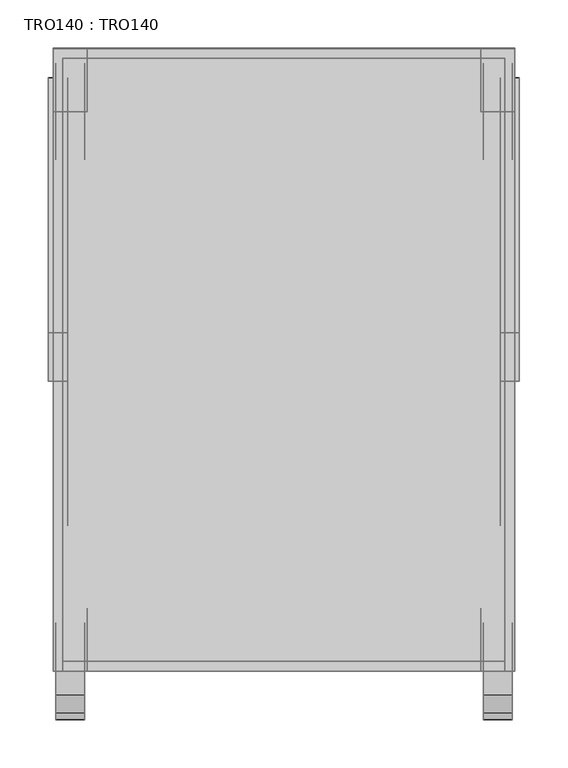
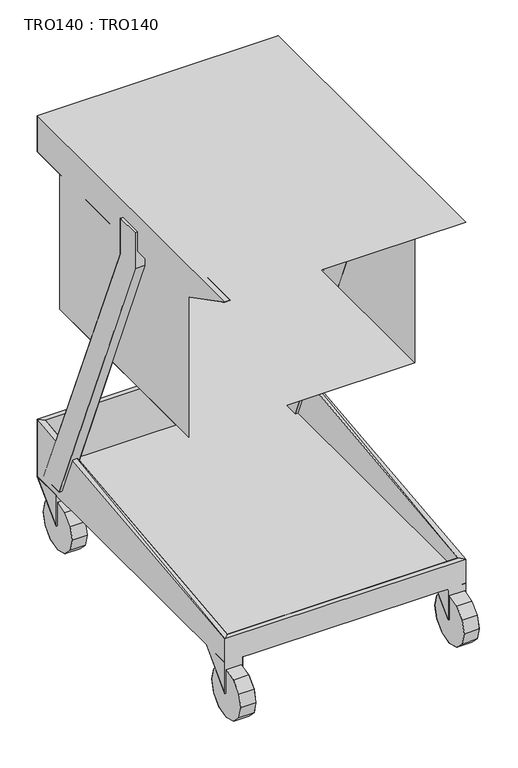
"""IFC4 building model written with IfcOpenShell, lengths in millimetres: proxy geometry, TRO140 : TRO140."""

import ifcopenshell
import ifcopenshell.guid

model = None  # the IFC model being written
_history = None  # IfcOwnerHistory: only IFC2X3 demands one
_inside = {}  # id of a spatial element -> (the spatial element, [elements in it])
_under = {}  # id of a project, library or spatial element -> (it, [spatial elements below it])
_declared = {}  # id of a project -> (the project, [libraries it declares])
_typed = {}  # id of a type object -> (the type object, [elements of that type])
_made_of = {}  # id of a material, layer set ... -> (it, [elements and type objects made of it])


def new_model(schema):
    """Start an empty IFC model of exactly this schema.

    Asked for "IFC4X3", IfcOpenShell would pick the latest addendum, in which some entities
    have other attributes; the version numbers below select the first issue.
    IFC2X3 requires an IfcOwnerHistory on every rooted entity: one is made here for all.
    """
    global model, _history
    if schema == "IFC4X3":
        model = ifcopenshell.file(schema_version=(4, 3, 0, 0))
    else:
        model = ifcopenshell.file(schema=schema)
    _inside.clear()
    _under.clear()
    _declared.clear()
    _typed.clear()
    _made_of.clear()
    _history = None
    if model.schema == "IFC2X3":
        org = make("IfcOrganization", Name="unknown")
        user = make(
            "IfcPersonAndOrganization",
            ThePerson=make("IfcPerson", FamilyName="unknown"),
            TheOrganization=org,
        )
        app = make(
            "IfcApplication",
            ApplicationDeveloper=org,
            Version="unknown",
            ApplicationFullName="unknown",
            ApplicationIdentifier="unknown",
        )
        _history = make(
            "IfcOwnerHistory",
            OwningUser=user,
            OwningApplication=app,
            ChangeAction="ADDED",
            CreationDate=0,
        )
    return model


def make(cls, **values):
    """One entity of the class cls with the attributes given. An attribute that is None is left unset."""
    return model.create_entity(
        cls, **{name: value for name, value in values.items() if value is not None}
    )


def rooted(cls, **values):
    """An entity with a GlobalId (a new one), such as an element, a storey or a relation."""
    return make(cls, GlobalId=ifcopenshell.guid.new(), OwnerHistory=_history, **values)


def si_unit(unit_type, name, prefix=None):
    """IfcSIUnit, for example si_unit("LENGTHUNIT", "METRE", prefix="MILLI")."""
    return make("IfcSIUnit", UnitType=unit_type, Prefix=prefix, Name=name)


def assignment(units):
    """IfcUnitAssignment: the units of a project."""
    return None if units is None else make("IfcUnitAssignment", Units=units)


def point(xyz):
    """IfcCartesianPoint."""
    return None if xyz is None else make("IfcCartesianPoint", Coordinates=xyz)


def direction(xyz):
    """IfcDirection."""
    return None if xyz is None else make("IfcDirection", DirectionRatios=xyz)


def frame(location, z_axis=None, x_axis=None):
    """IfcAxis2Placement3D, a coordinate frame: its origin and axes. An axis left out is left unset."""
    return make(
        "IfcAxis2Placement3D",
        Location=point(location),
        Axis=direction(z_axis),
        RefDirection=direction(x_axis),
    )


def origin():
    """The frame at (0, 0, 0) with its axes left unset."""
    return frame((0.0, 0.0, 0.0))


def place(relative_to, where):
    """IfcLocalPlacement: puts the frame where relative to a parent placement (None: the world)."""
    return make(
        "IfcLocalPlacement", PlacementRelTo=relative_to, RelativePlacement=where
    )


def context(
    kind, dimensions, precision=None, world=None, true_north=None, identifier=None
):
    """IfcGeometricRepresentationContext, for example the 3D "Model" context."""
    return make(
        "IfcGeometricRepresentationContext",
        ContextIdentifier=identifier,
        ContextType=kind,
        CoordinateSpaceDimension=dimensions,
        Precision=precision,
        WorldCoordinateSystem=world,
        TrueNorth=true_north,
    )


def project(units=None, contexts=None):
    """IfcProject with its units and contexts."""
    return rooted(
        "IfcProject",
        Name="project",
        RepresentationContexts=contexts,
        UnitsInContext=assignment(units),
    )


def spatial(cls, under=None, at=None, **own):
    """A site, building, storey or space (cls), placed at a placement, below another one or the project."""
    s = rooted(cls, ObjectPlacement=at, **own)
    if under is not None:
        _under.setdefault(under.id(), (under, []))[1].append(s)
    return s


def point_list(points):
    """IfcCartesianPointList2D or 3D."""
    cls = (
        "IfcCartesianPointList2D" if len(points[0]) == 2 else "IfcCartesianPointList3D"
    )
    return make(cls, CoordList=points)


def triangles(points, corners, closed=None, point_numbers=None):
    """IfcTriangulatedFaceSet: each triangle names its three corners, points numbered from 1."""
    return make(
        "IfcTriangulatedFaceSet",
        Coordinates=point_list(points),
        Closed=closed,
        CoordIndex=corners,
        PnIndex=point_numbers,
    )


def shape(context_of_items, identifier, shape_type, items):
    """IfcShapeRepresentation: the items that make up one representation, for example the "Body"."""
    return make(
        "IfcShapeRepresentation",
        ContextOfItems=context_of_items,
        RepresentationIdentifier=identifier,
        RepresentationType=shape_type,
        Items=items,
    )


def source(mapping_origin, context_of_items, identifier, shape_type, items):
    """IfcRepresentationMap: a shape defined once, which mapped items show again and again."""
    return make(
        "IfcRepresentationMap",
        MappingOrigin=mapping_origin,
        MappedRepresentation=shape(context_of_items, identifier, shape_type, items),
    )


def transform(
    local_origin,
    x_axis=None,
    y_axis=None,
    z_axis=None,
    scale=None,
    scale2=None,
    scale3=None,
    uniform=True,
):
    """IfcCartesianTransformationOperator3D, or its non-uniform kind. x_axis, y_axis, z_axis: its Axis1, 2, 3."""
    if uniform:
        return make(
            "IfcCartesianTransformationOperator3D",
            Axis1=direction(x_axis),
            Axis2=direction(y_axis),
            LocalOrigin=point(local_origin),
            Scale=scale,
            Axis3=direction(z_axis),
        )
    return make(
        "IfcCartesianTransformationOperator3DnonUniform",
        Axis1=direction(x_axis),
        Axis2=direction(y_axis),
        LocalOrigin=point(local_origin),
        Scale=scale,
        Axis3=direction(z_axis),
        Scale2=scale2,
        Scale3=scale3,
    )


def mapped(mapping_source, mapping_target):
    """IfcMappedItem: shows the shape of a source again, moved by a transform."""
    return make(
        "IfcMappedItem", MappingSource=mapping_source, MappingTarget=mapping_target
    )


def made_of(thing, what):
    """Note that an element or type object is made of a material, layer set ...; save() writes the relation."""
    if what is not None:
        _made_of.setdefault(what.id(), (what, []))[1].append(thing)
    return thing


def element(
    cls,
    number,
    at=None,
    inside=None,
    cuts=None,
    type_object=None,
    material=None,
    context=None,
    identifier="Body",
    shape_type=None,
    held_by="IfcProductDefinitionShape",
    body=None,
    shapes=None,
    **own,
):
    """One element of the class cls, such as IfcWall. Its Tag is "e" and its number.

    at: its placement. inside: the storey or other place that contains it. cuts: it is an
    opening in that element (IfcRelVoidsElement). A single representation is given by context,
    identifier, shape_type and body (its items); several are given by shapes. held_by: the class
    of the entity that holds the representations. save() writes the other relations.
    """
    e = rooted(cls, Tag="e%d" % number, ObjectPlacement=at, **own)
    if body is not None:
        shapes = [shape(context, identifier, shape_type, body)]
    if shapes is not None:
        e.Representation = make(held_by, Representations=shapes)
    if inside is not None:
        _inside.setdefault(inside.id(), (inside, []))[1].append(e)
    if cuts is not None:
        rooted(
            "IfcRelVoidsElement", RelatingBuildingElement=cuts, RelatedOpeningElement=e
        )
    if type_object is not None:
        _typed.setdefault(type_object.id(), (type_object, []))[1].append(e)
    return made_of(e, material)


def aggregate(whole, parts):
    """IfcRelAggregates: a whole, such as a stair, and the parts it consists of."""
    return rooted("IfcRelAggregates", RelatingObject=whole, RelatedObjects=parts)


def save(model, path):
    """Write the relations noted so far, then the file.

    IfcRelAggregates (storeys below a building ...), IfcRelContainedInSpatialStructure (elements
    in a storey), IfcRelDefinesByType, IfcRelAssociatesMaterial and IfcRelDeclares: one each for
    every whole, place, type object, material and project.
    """
    for whole, parts in _under.values():
        aggregate(whole, parts)
    for where, things in _inside.values():
        rooted(
            "IfcRelContainedInSpatialStructure",
            RelatedElements=things,
            RelatingStructure=where,
        )
    for kind, things in _typed.values():
        rooted("IfcRelDefinesByType", RelatedObjects=things, RelatingType=kind)
    for what, things in _made_of.values():
        rooted("IfcRelAssociatesMaterial", RelatedObjects=things, RelatingMaterial=what)
    for by, libraries in _declared.values():
        rooted("IfcRelDeclares", RelatingContext=by, RelatedDefinitions=libraries)
    model.write(path)


def tro140_tro140_b3449610(model_context):
    return source(origin(), model_context, "Body", "Tessellation", [
        triangles([(0.0, -642.9999962, 870.4999907), (0.0, 0.0, 870.4999907), (476.9999906, 0.0, 870.4999907), (476.9999906, -642.9999962, 870.4999907), (-5.0000003, -84.2600004, 134.9999992), (-5.0000003, -29.9999993, 134.9999992), (-5.0000003, -293.4399921, 759.9999767), (-5.0000003, -343.4400106, 759.9999767), (32.4999989, -617.999996, 6.6999998), (32.4999989, -599.6999866, 25.0000002), (2.5000001, -599.6999866, 25.0000002), (2.5000001, -617.999996, 6.6999998), (2.5000001, -642.9999962, 0.0), (32.4999989, -642.9999962, 0.0), (2.5000001, -667.9999964, 6.6999998), (32.4999989, -667.9999964, 6.6999998), (2.5000001, -686.2999695, 25.0000002), (32.4999989, -686.2999695, 25.0000002), (2.5000001, -692.9999966, 50.0000004), (32.4999989, -692.9999966, 50.0000004), (2.5000001, -686.2999695, 75.0000006), (32.4999989, -686.2999695, 75.0000006), (2.5000001, -667.9999964, 93.3000009), (32.4999989, -667.9999964, 93.3000009), (32.4999989, -592.9999958, 50.0000004), (2.5000001, -592.9999958, 50.0000004), (2.5000001, -642.9999962, 100.0000008), (32.4999989, -642.9999962, 100.0000008), (32.4999989, -608.8500094, 84.1499962), (2.5000001, -608.8500094, 84.1499962), (2.5000001, -599.6999866, 75.0000006), (32.4999989, -599.6999866, 75.0000006), (0.0, -642.9999962, 115.0000027), (35.0000007, -642.9999962, 115.0000027), (35.0000007, -578.000003, 115.0000027), (0.0, -578.000003, 115.0000027), (2.5000001, -642.9999962, 50.0000004), (0.0, -642.9999962, 50.0000004), (0.0, -613.0000105, 115.0000027), (32.4999989, -642.9999962, 50.0000004), (35.0000007, -642.9999962, 50.0000004), (35.0000007, -613.0000105, 115.0000027), (32.4999989, -40.0000021, 6.6999998), (32.4999989, -21.6999995, 25.0000002), (2.5000001, -21.6999995, 25.0000002), (2.5000001, -40.0000021, 6.6999998), (2.5000001, -64.9999978, 0.0), (32.4999989, -64.9999978, 0.0), (2.5000001, -90.0000025, 6.6999998), (32.4999989, -90.0000025, 6.6999998), (2.5000001, -108.3000029, 25.0000002), (32.4999989, -108.3000029, 25.0000002), (2.5000001, -115.0000027, 50.0000004), (32.4999989, -115.0000027, 50.0000004), (2.5000001, -108.3000029, 75.0000006), (32.4999989, -108.3000029, 75.0000006), (2.5000001, -90.0000025, 93.3000009), (32.4999989, -90.0000025, 93.3000009), (32.4999989, -14.9999997, 50.0000004), (2.5000001, -14.9999997, 50.0000004), (2.5000001, -64.9999978, 100.0000008), (32.4999989, -64.9999978, 100.0000008), (32.4999989, -30.8499997, 84.1499962), (2.5000001, -30.8499997, 84.1499962), (2.5000001, -21.6999995, 75.0000006), (32.4999989, -21.6999995, 75.0000006), (0.0, -64.9999978, 115.0000027), (35.0000007, -64.9999978, 115.0000027), (35.0000007, 0.0, 115.0000027), (0.0, 0.0, 115.0000027), (2.5000001, -64.9999978, 50.0000004), (0.0, -64.9999978, 50.0000004), (0.0, -35.0000007, 115.0000027), (32.4999989, -64.9999978, 50.0000004), (35.0000007, -64.9999978, 50.0000004), (35.0000007, -35.0000007, 115.0000027), (482.0000124, -84.2600004, 134.9999992), (482.0000124, -29.9999993, 134.9999992), (482.0000124, -293.4399921, 759.9999767), (482.0000124, -343.4400106, 759.9999767), (444.5000121, -617.999996, 6.6999998), (444.5000121, -599.6999866, 25.0000002), (474.4999978, -617.999996, 6.6999998), (474.4999978, -599.6999866, 25.0000002), (474.4999978, -642.9999962, 0.0), (444.5000121, -642.9999962, 0.0), (474.4999978, -667.9999964, 6.6999998), (444.5000121, -667.9999964, 6.6999998), (474.4999978, -686.2999695, 25.0000002), (444.5000121, -686.2999695, 25.0000002), (474.4999978, -692.9999966, 50.0000004), (444.5000121, -692.9999966, 50.0000004), (474.4999978, -686.2999695, 75.0000006), (444.5000121, -686.2999695, 75.0000006), (444.5000121, -667.9999964, 93.3000009), (474.4999978, -667.9999964, 93.3000009), (444.5000121, -592.9999958, 50.0000004), (474.4999978, -592.9999958, 50.0000004), (474.4999978, -642.9999962, 100.0000008), (444.5000121, -642.9999962, 100.0000008), (444.5000121, -608.8500094, 84.1499962), (474.4999978, -608.8500094, 84.1499962), (444.5000121, -599.6999866, 75.0000006), (474.4999978, -599.6999866, 75.0000006), (476.9999906, -642.9999962, 115.0000027), (441.999983, -642.9999962, 115.0000027), (441.999983, -578.000003, 115.0000027), (476.9999906, -578.000003, 115.0000027), (444.5000121, -642.9999962, 50.0000004), (441.999983, -642.9999962, 50.0000004), (441.999983, -613.0000105, 115.0000027), (474.4999978, -642.9999962, 50.0000004), (476.9999906, -642.9999962, 50.0000004), (476.9999906, -613.0000105, 115.0000027), (444.5000121, -40.0000021, 6.6999998), (444.5000121, -21.6999995, 25.0000002), (474.4999978, -21.6999995, 25.0000002), (474.4999978, -40.0000021, 6.6999998), (474.4999978, -64.9999978, 0.0), (444.5000121, -64.9999978, 0.0), (474.4999978, -90.0000025, 6.6999998), (444.5000121, -90.0000025, 6.6999998), (474.4999978, -108.3000029, 25.0000002), (444.5000121, -108.3000029, 25.0000002), (474.4999978, -115.0000027, 50.0000004), (444.5000121, -115.0000027, 50.0000004), (474.4999978, -108.3000029, 75.0000006), (444.5000121, -108.3000029, 75.0000006), (474.4999978, -90.0000025, 93.3000009), (444.5000121, -90.0000025, 93.3000009), (444.5000121, -14.9999997, 50.0000004), (474.4999978, -14.9999997, 50.0000004), (474.4999978, -64.9999978, 100.0000008), (444.5000121, -64.9999978, 100.0000008), (444.5000121, -30.8499997, 84.1499962), (474.4999978, -30.8499997, 84.1499962), (474.4999978, -21.6999995, 75.0000006), (444.5000121, -21.6999995, 75.0000006), (476.9999906, -64.9999978, 115.0000027), (441.999983, -64.9999978, 115.0000027), (441.999983, 0.0, 115.0000027), (476.9999906, 0.0, 115.0000027), (444.5000121, -64.9999978, 50.0000004), (441.999983, -64.9999978, 50.0000004), (441.999983, -35.0000007, 115.0000027), (474.4999978, -64.9999978, 50.0000004), (476.9999906, -64.9999978, 50.0000004), (476.9999906, -35.0000007, 115.0000027), (14.9999997, -492.999995, 489.9999965), (14.9999997, -50.0000004, 489.9999965), (461.9999977, -50.0000004, 489.9999965), (461.9999977, -492.999995, 489.9999965), (10.0000005, -10.0000005, 134.9999992), (466.9999832, -10.0000005, 134.9999992), (466.9999832, -10.0000005, 235.0000091), (10.0000005, -10.0000005, 235.0000091), (10.0000005, -633.0000252, 134.9999992), (466.9999832, -633.0000252, 134.9999992), (466.9999832, -633.0000252, 164.999994), (10.0000005, -633.0000252, 164.999994), (0.0, 0.0, 235.0000091), (0.0, -642.9999962, 164.999994), (476.9999906, -642.9999962, 164.999994), (476.9999906, 0.0, 235.0000091), (14.9999997, -84.2600004, 134.9999992), (14.9999997, -29.9999993, 134.9999992), (14.9999997, -293.4399921, 759.9999767), (14.9999997, -343.4400106, 759.9999767), (461.9999977, -84.2600004, 134.9999992), (461.9999977, -29.9999993, 134.9999992), (461.9999977, -293.4399921, 759.9999767), (461.9999977, -343.4400106, 759.9999767), (-5.0000003, -293.4399921, 834.9999773), (-5.0000003, -343.4400106, 834.9999773), (14.9999997, -293.4399921, 834.9999773), (14.9999997, -343.4400106, 834.9999773), (461.9999977, -293.4399921, 834.9999773), (461.9999977, -343.4400106, 834.9999773), (482.0000124, -293.4399921, 834.9999773), (482.0000124, -343.4400106, 834.9999773), (0.0, 0.0, 870.0000212), (0.0, 0.0, 795.0000206), (0.0, -500.0000038, 795.0000206), (0.0, -642.9999962, 870.0000212), (476.9999906, 0.0, 870.0000212), (476.9999906, 0.0, 795.0000206), (476.9999906, -500.0000038, 795.0000206), (476.9999906, -642.9999962, 870.0000212), (10.0000005, -10.0000005, 795.0000206), (466.9999832, -10.0000005, 795.0000206), (466.9999832, -10.0000005, 870.0000212), (10.0000005, -10.0000005, 870.0000212), (10.0000005, -500.0000038, 795.0000206), (10.0000005, -642.9999962, 870.0000212), (466.9999832, -500.0000038, 795.0000206), (466.9999832, -642.9999962, 870.0000212), (14.9999997, -50.0000004, 795.0000206), (14.9999997, -492.999995, 795.0000206), (461.9999977, -50.0000004, 795.0000206), (461.9999977, -492.999995, 795.0000206)], [[1, 2, 3], [1, 3, 4], [5, 6, 7], [5, 7, 8], [9, 10, 11], [9, 11, 12], [12, 13, 14], [12, 14, 9], [13, 15, 16], [13, 16, 14], [16, 15, 17], [16, 17, 18], [17, 19, 20], [17, 20, 18], [19, 21, 22], [19, 22, 20], [22, 21, 23], [22, 23, 24], [25, 26, 11], [25, 11, 10], [23, 27, 28], [23, 28, 24], [29, 30, 31], [29, 31, 32], [26, 25, 32], [26, 32, 31], [27, 33, 34], [27, 34, 28], [29, 35, 36], [29, 36, 30], [36, 35, 34], [36, 34, 33], [37, 12, 11], [37, 11, 26], [37, 26, 31], [37, 31, 30], [30, 36, 38], [30, 38, 37], [38, 36, 39], [17, 15, 19], [21, 19, 37], [19, 15, 37], [37, 15, 12], [15, 13, 12], [23, 21, 27], [21, 37, 27], [39, 33, 38], [38, 33, 27], [38, 27, 37], [25, 10, 16], [25, 16, 40], [32, 25, 40], [32, 40, 29], [41, 35, 29], [41, 29, 40], [35, 41, 42], [16, 18, 40], [40, 18, 20], [40, 20, 22], [10, 9, 16], [9, 14, 16], [40, 22, 24], [40, 24, 28], [41, 34, 42], [28, 34, 41], [28, 41, 40], [43, 44, 45], [43, 45, 46], [46, 47, 48], [46, 48, 43], [47, 49, 50], [47, 50, 48], [50, 49, 51], [50, 51, 52], [51, 53, 54], [51, 54, 52], [53, 55, 56], [53, 56, 54], [56, 55, 57], [56, 57, 58], [59, 60, 45], [59, 45, 44], [57, 61, 62], [57, 62, 58], [63, 64, 65], [63, 65, 66], [60, 59, 66], [60, 66, 65], [61, 67, 68], [61, 68, 62], [63, 69, 70], [63, 70, 64], [70, 69, 68], [70, 68, 67], [71, 46, 45], [71, 45, 60], [71, 60, 65], [71, 65, 64], [64, 70, 72], [64, 72, 71], [72, 70, 73], [51, 49, 53], [55, 53, 71], [53, 49, 71], [71, 49, 47], [71, 47, 46], [57, 55, 71], [57, 71, 61], [73, 67, 72], [72, 67, 61], [72, 61, 71], [59, 44, 50], [59, 50, 74], [66, 59, 63], [59, 74, 63], [75, 69, 63], [75, 63, 74], [69, 75, 76], [50, 52, 74], [74, 52, 54], [74, 54, 56], [44, 43, 48], [44, 48, 50], [74, 56, 58], [74, 58, 62], [75, 68, 76], [62, 68, 75], [62, 75, 74], [77, 78, 79], [77, 79, 80], [81, 82, 83], [82, 84, 83], [83, 85, 86], [83, 86, 81], [85, 87, 88], [85, 88, 86], [88, 87, 89], [88, 89, 90], [89, 91, 90], [91, 92, 90], [91, 93, 94], [91, 94, 92], [94, 93, 95], [93, 96, 95], [97, 98, 84], [97, 84, 82], [96, 99, 100], [96, 100, 95], [101, 102, 103], [102, 104, 103], [98, 97, 104], [97, 103, 104], [99, 105, 100], [105, 106, 100], [101, 107, 108], [101, 108, 102], [108, 107, 105], [107, 106, 105], [97, 82, 88], [97, 88, 109], [103, 97, 109], [103, 109, 101], [110, 107, 101], [110, 101, 109], [107, 110, 111], [88, 90, 109], [109, 90, 92], [109, 92, 94], [82, 81, 88], [81, 86, 88], [109, 94, 95], [109, 95, 100], [110, 106, 111], [100, 106, 110], [100, 110, 109], [112, 83, 84], [112, 84, 98], [112, 98, 104], [112, 104, 102], [102, 108, 113], [102, 113, 112], [113, 108, 114], [89, 87, 91], [93, 91, 112], [91, 87, 112], [112, 87, 83], [87, 85, 83], [96, 93, 99], [93, 112, 99], [114, 105, 113], [113, 105, 99], [113, 99, 112], [115, 116, 117], [115, 117, 118], [118, 119, 115], [119, 120, 115], [119, 121, 120], [121, 122, 120], [122, 121, 123], [122, 123, 124], [123, 125, 124], [125, 126, 124], [125, 127, 128], [125, 128, 126], [128, 127, 129], [128, 129, 130], [131, 132, 117], [131, 117, 116], [129, 133, 134], [129, 134, 130], [135, 136, 137], [135, 137, 138], [132, 131, 137], [131, 138, 137], [133, 139, 134], [139, 140, 134], [135, 141, 142], [135, 142, 136], [142, 141, 140], [142, 140, 139], [131, 116, 122], [131, 122, 143], [138, 131, 135], [131, 143, 135], [144, 141, 135], [144, 135, 143], [141, 144, 145], [122, 124, 143], [143, 124, 126], [143, 126, 128], [116, 115, 120], [116, 120, 122], [143, 128, 130], [143, 130, 134], [144, 140, 145], [134, 140, 144], [134, 144, 143], [146, 118, 117], [146, 117, 132], [146, 132, 137], [146, 137, 136], [136, 142, 147], [136, 147, 146], [147, 142, 148], [123, 121, 125], [127, 125, 146], [125, 121, 146], [146, 121, 119], [146, 119, 118], [129, 127, 146], [129, 146, 133], [148, 139, 147], [147, 139, 133], [147, 133, 146], [149, 150, 151], [149, 151, 152], [153, 154, 155], [153, 155, 156], [157, 158, 159], [157, 159, 160], [156, 161, 162], [156, 162, 160], [160, 162, 163], [160, 163, 159], [159, 163, 164], [159, 164, 155], [164, 161, 156], [164, 156, 155], [165, 166, 167], [165, 167, 168], [169, 170, 171], [169, 171, 172], [173, 7, 174], [7, 8, 174], [175, 167, 176], [167, 168, 176], [177, 171, 178], [171, 172, 178], [179, 79, 180], [79, 80, 180], [166, 6, 5], [166, 5, 165], [5, 8, 168], [5, 168, 165], [8, 174, 176], [8, 176, 168], [174, 176, 175], [174, 175, 173], [175, 173, 7], [175, 7, 167], [167, 7, 6], [167, 6, 166], [78, 170, 169], [78, 169, 77], [169, 77, 80], [169, 80, 172], [172, 80, 180], [172, 180, 178], [178, 180, 179], [178, 179, 177], [179, 177, 171], [179, 171, 79], [79, 171, 170], [79, 170, 78], [181, 182, 183], [181, 183, 184], [185, 186, 187], [185, 187, 188], [182, 186, 185], [182, 185, 181], [189, 190, 191], [189, 191, 192], [192, 189, 193], [192, 193, 194], [191, 190, 195], [191, 195, 196], [182, 183, 187], [182, 187, 186], [193, 194, 184], [193, 184, 183], [187, 188, 195], [188, 196, 195], [197, 150, 149], [197, 149, 198], [199, 151, 152], [199, 152, 200], [161, 70, 33], [161, 33, 162], [164, 142, 105], [164, 105, 163], [162, 163, 105], [162, 105, 33], [161, 70, 142], [161, 142, 164], [158, 154, 153], [158, 153, 157], [155, 154, 158], [155, 158, 159], [156, 153, 157], [156, 157, 160]], closed=False),
    ])


if __name__ == "__main__":
    model = new_model("IFC4")
    model_context = context("Model", 3, world=origin())
    ifc_project = project(units=[si_unit("LENGTHUNIT", "METRE", prefix="MILLI")], contexts=[model_context])
    site = spatial("IfcSite", under=ifc_project)
    building = spatial("IfcBuilding", under=site)
    placement = place(None, origin())
    tro140_tro140_shape = tro140_tro140_b3449610(model_context)
    element("IfcBuildingElementProxy", 1, Name="TRO140 : TRO140", ObjectType="TRO140 : TRO140", at=placement, inside=building, context=model_context, shape_type="MappedRepresentation", body=[
        mapped(tro140_tro140_shape, transform((0.0, 0.0, 0.0), x_axis=(1.0, 0.0, 0.0), y_axis=(0.0, 1.0, 0.0), z_axis=(0.0, 0.0, 1.0))),
    ])
    save(model, "model.ifc")
